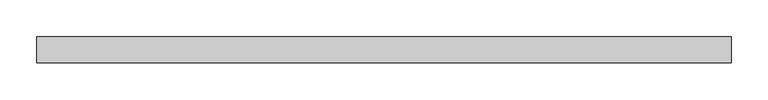
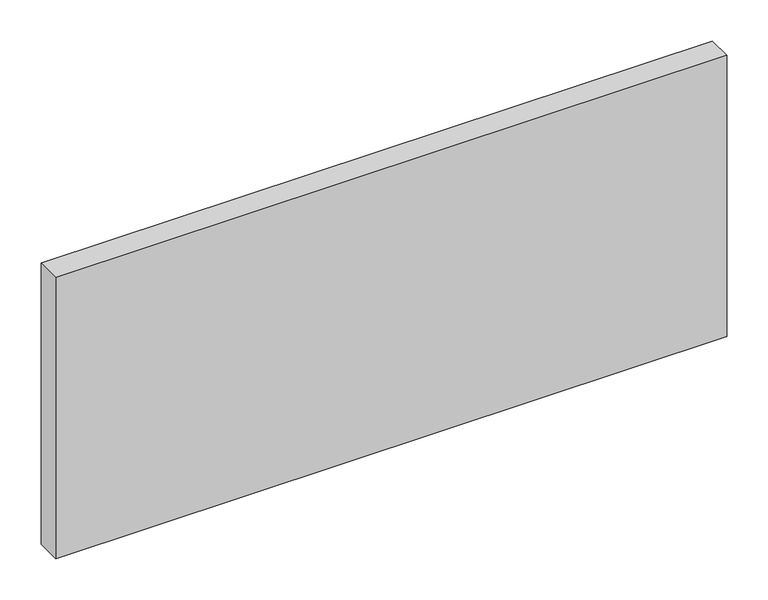
"""IFC4 building model written with IfcOpenShell, lengths in millimetres: plate geometry."""

from ifc_helpers import new_model, si_unit, origin, origin_with_axes, place, context, project, spatial, polyline, outline, extrude, source, transform, mapped, element, save


def plate_1fb98602(model_context):
    return source(origin(), model_context, "Body", "SweptSolid", [
        extrude(outline(polyline([(471.1607143, -17.5), (-471.1607143, -17.5), (-471.1607143, 17.5), (471.1607143, 17.5), (471.1607143, -17.5)])), origin_with_axes(), (0.0, 0.0, 1.0), 417.625),
    ])


if __name__ == "__main__":
    model = new_model("IFC4")
    model_context = context("Model", 3, world=origin())
    ifc_project = project(units=[si_unit("LENGTHUNIT", "METRE", prefix="MILLI")], contexts=[model_context])
    site = spatial("IfcSite", under=ifc_project)
    building = spatial("IfcBuilding", under=site)
    placement = place(None, origin())
    plate_shape = plate_1fb98602(model_context)
    element("IfcPlate", 1, at=placement, inside=building, context=model_context, shape_type="MappedRepresentation", body=[
        mapped(plate_shape, transform((0.0, 0.0, 0.0), x_axis=(1.0, 0.0, 0.0), y_axis=(0.0, 1.0, 0.0), z_axis=(0.0, 0.0, 1.0))),
    ])
    save(model, "model.ifc")
